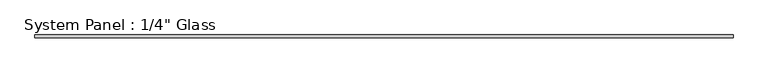
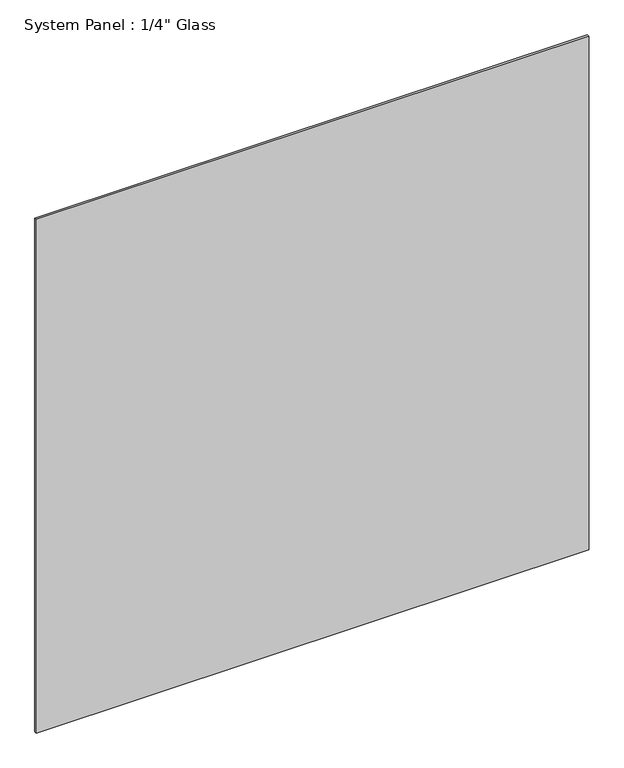
"""IFC4 building model written with IfcOpenShell, lengths in millimetres: plate geometry."""

from ifc_helpers import new_model, si_unit, origin, origin_with_axes, place, context, project, spatial, polyline, outline, extrude, source, transform, mapped, element, save


def plate_d15a9891(model_context):
    return source(origin(), model_context, "Body", "SweptSolid", [
        extrude(outline(polyline([(749.3, -3.175), (-749.3, -3.175), (-749.3, 3.175), (749.3, 3.175), (749.3, -3.175)])), origin_with_axes(), (0.0, 0.0, 1.0), 1471.8280745),
    ])


if __name__ == "__main__":
    model = new_model("IFC4")
    model_context = context("Model", 3, world=origin())
    ifc_project = project(units=[si_unit("LENGTHUNIT", "METRE", prefix="MILLI")], contexts=[model_context])
    site = spatial("IfcSite", under=ifc_project)
    building = spatial("IfcBuilding", under=site)
    placement = place(None, origin())
    plate_shape = plate_d15a9891(model_context)
    element("IfcPlate", 1, ObjectType="System Panel : 1/4\" Glass", at=placement, inside=building, context=model_context, shape_type="MappedRepresentation", body=[
        mapped(plate_shape, transform((0.0, 0.0, 0.0), x_axis=(1.0, 0.0, 0.0), y_axis=(0.0, 1.0, 0.0), z_axis=(0.0, 0.0, 1.0))),
    ])
    save(model, "model.ifc")
